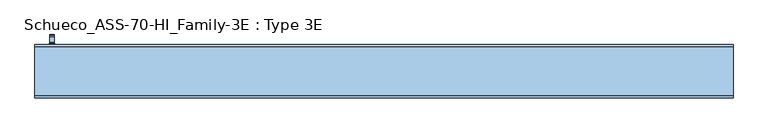
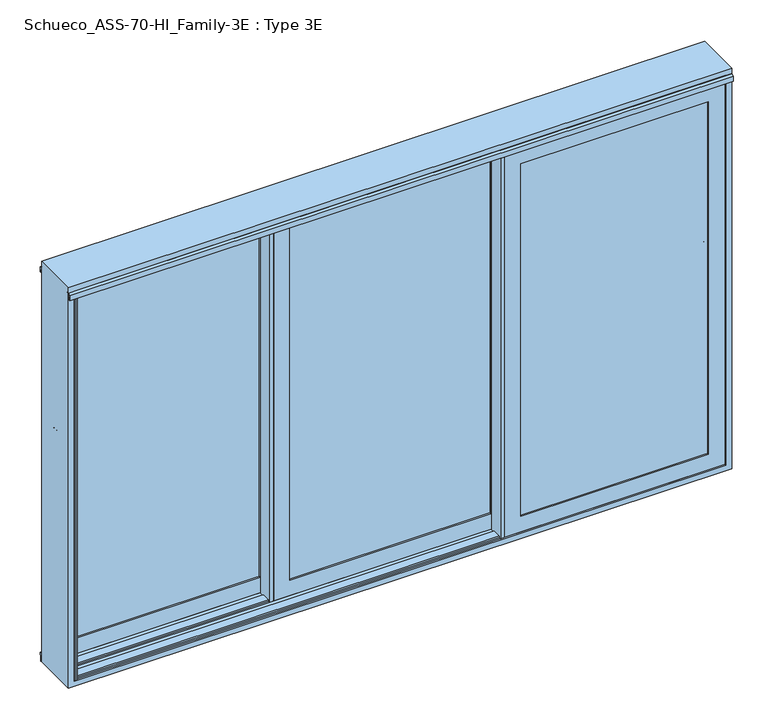
"""IFC4 building model written with IfcOpenShell, lengths in millimetres: window geometry, Schueco_ASS-70-HI_Family-3E : Type 3E."""

from ifc_helpers import new_model, si_unit, point, frame, frame_2d, origin, place, context, project, spatial, polyline, circle_curve, trimmed, segment, composite_curve, outline, extrude, faceted_brep, source, transform, mapped, element, save
from ifc_brep_helpers import plane_surface, cylinder_surface, revolved_surface, advanced_brep


def schueco_ass_70_hi_family_3e_type_3e_9dcf342a(model_context):
    return source(origin(), model_context, "Body", "SolidModel", [
        extrude(outline(polyline([(-650.6682598, -60.0296761), (-650.6682598, 24.1825054), (-596.6666667, 24.1825054), (-596.6666667, 9.9601155), (-646.8681947, 9.9601155), (-646.8681947, -54.5297093), (-630.6682903, -54.5297093), (-630.6682903, -60.0296761), (-650.6682598, -60.0296761)])), frame((0.0, 0.0, -6.9999052), z_axis=(0.0, 0.0, 1.0), x_axis=(1.0, 0.0, 0.0)), (0.0, 0.0, 1.0), 2187.9998104),
        extrude(outline(polyline([(2114.8998417, 564.5665084), (2114.8998417, -564.5665084), (59.1001583, -564.5665084), (59.1001583, 564.5665084), (2114.8998417, 564.5665084)]), holes=[polyline([(2092.899857, -542.5665236), (2092.899857, 542.5665236), (81.100143, 542.5665236), (81.100143, -542.5665236), (2092.899857, -542.5665236)])]), frame((0.0, -25.0621681, 0.0), z_axis=(0.0, 1.0, 0.0), x_axis=(0.0, 0.0, 1.0)), (0.0, 0.0, 1.0), 35.0222836),
        extrude(outline(polyline([(556.5682349, -25.0621681), (556.5682349, -51.0520123), (-556.5682349, -51.0520123), (-556.5682349, -25.0621681), (556.5682349, -25.0621681)])), frame((0.0, 0.0, 67.0984318), z_axis=(0.0, 0.0, 1.0), x_axis=(1.0, 0.0, 0.0)), (0.0, 0.0, 1.0), 2039.8031365),
        extrude(outline(polyline([(650.6682598, 9.9601155), (650.6682598, -74.2520661), (596.6666667, -74.2520661), (596.6666667, -60.0296761), (646.8681947, -60.0296761), (646.8681947, 4.4601487), (630.6682903, 4.4601487), (630.6682903, 9.9601155), (650.6682598, 9.9601155)])), frame((0.0, 0.0, -6.9999052), z_axis=(0.0, 0.0, 1.0), x_axis=(1.0, 0.0, 0.0)), (0.0, 0.0, 1.0), 2187.9998104),
        faceted_brep([(-630.6682903, -54.5297093, 2181.0016236), (-630.6682903, -54.5297093, -7.0016236), (-630.6682903, -60.0296761, -7.0016236), (-630.6682903, -60.0296761, 2181.0016236), (630.6682903, -60.0296761, 2181.0016236), (630.6682903, -60.0296761, -7.0016236), (-542.6682903, -60.0296761, 2093.0016236), (542.6682903, -60.0296761, 2093.0016236), (542.6682903, -60.0296761, 80.9983764), (-542.6682903, -60.0296761, 80.9983764), (630.6682903, -54.5297093, -7.0016236), (630.6682903, -54.5297093, 2181.0016236), (600.6665719, -54.5297093, 2150.9999052), (-600.6665719, -54.5297093, 2150.9999052), (-600.6665719, -54.5297093, 23.0000948), (600.6665719, -54.5297093, 23.0000948), (-600.6665719, 4.4601155, 2150.9999052), (-600.6665719, 4.4601155, 23.0000948), (600.6665719, 4.4601155, 23.0000948), (630.6665719, 4.4601155, 2180.9999052), (-630.6665719, 4.4601155, 2180.9999052), (-630.6665719, 4.4601155, -6.9999052), (630.6665719, 4.4601155, -6.9999052), (600.6665719, 4.4601155, 2150.9999052), (-630.6665719, 9.9601155, 2180.9999052), (-630.6665719, 9.9601155, -6.9999052), (630.6665719, 9.9601155, -6.9999052), (630.6665719, 9.9601155, 2180.9999052), (564.5665084, 9.9601155, 2114.8998417), (-564.5665084, 9.9601155, 2114.8998417), (-564.5665084, 9.9601155, 59.1001583), (564.5665084, 9.9601155, 59.1001583), (-556.5682349, -51.0520123, 2106.9015682), (-556.5682349, -51.0520123, 67.0984318), (-556.5682349, -25.0520123, 67.0984318), (-556.5682349, -25.0520123, 2106.9015682), (-564.5665084, -25.0520123, 2114.8998417), (564.5665084, -25.0520123, 2114.8998417), (564.5665084, -25.0520123, 59.1001583), (-564.5665084, -25.0520123, 59.1001583), (556.5682349, -25.0520123, 2106.9015682), (556.5682349, -25.0520123, 67.0984318), (556.5682349, -51.0520123, 67.0984318), (556.5682349, -51.0520123, 2106.9015682), (542.6682903, -51.0520123, 2093.0016236), (-542.6682903, -51.0520123, 2093.0016236), (-542.6682903, -51.0520123, 80.9983764), (542.6682903, -51.0520123, 80.9983764)], [[[0, 1, 2, 3]], [[4, 3, 2, 5], [6, 7, 8, 9]], [[1, 10, 5, 2]], [[0, 11, 10, 1], [12, 13, 14, 15]], [[16, 17, 14, 13]], [[17, 18, 15, 14]], [[19, 20, 21, 22], [16, 23, 18, 17]], [[24, 25, 21, 20]], [[25, 26, 22, 21]], [[24, 27, 26, 25], [28, 29, 30, 31]], [[32, 33, 34, 35]], [[36, 37, 38, 39], [40, 35, 34, 41]], [[33, 42, 41, 34]], [[32, 43, 42, 33], [44, 45, 46, 47]], [[6, 9, 46, 45]], [[9, 8, 47, 46]], [[10, 11, 4, 5]], [[18, 23, 12, 15]], [[26, 27, 19, 22]], [[42, 43, 40, 41]], [[8, 7, 44, 47]], [[38, 37, 28, 31]], [[39, 38, 31, 30]], [[36, 39, 30, 29]], [[11, 0, 3, 4]], [[23, 16, 13, 12]], [[27, 24, 20, 19]], [[43, 32, 35, 40]], [[7, 6, 45, 44]], [[37, 36, 29, 28]]]),
        advanced_brep(
        [(1714.9498734, -18.0727538, 1004.005052), (1690.9498734, -18.0727538, 1004.005052), (1690.9498734, -18.0727538, 1229.2360009), (1714.9498734, -18.0727538, 1229.2360009), (1714.9498734, -66.0727538, 1004.005052), (1690.9498734, -66.0727538, 1004.005052), (1714.9498734, -30.0727538, 1004.005052), (1690.9498734, -30.0727538, 1004.005052), (1690.9498734, -30.0727538, 1219.6494011), (1690.9498734, -37.4234138, 1227.000061), (1690.9498734, -58.0727538, 1227.000061), (1690.9498734, -60.0727538, 1229.000061), (1690.9498734, -60.0727538, 1240.000061), (1690.9498734, -58.0727538, 1242.000061), (1690.9498734, -30.8368139, 1242.000061), (1690.9498734, -29.4226003, 1241.4142746), (1690.9498734, -18.6585402, 1230.6502145), (1714.9498734, -18.6585402, 1230.6502145), (1714.9498734, -29.4226003, 1241.4142746), (1714.9498734, -30.8368139, 1242.000061), (1714.9498734, -58.0727538, 1242.000061), (1714.9498734, -60.0727538, 1240.000061), (1714.9498734, -60.0727538, 1229.000061), (1714.9498734, -58.0727538, 1227.000061), (1714.9498734, -37.4234138, 1227.000061), (1714.9498734, -30.0727538, 1219.6494011)],
        [
            (0, 1, circle_curve(frame((1702.9498734, -18.0727538, 1004.005052), z_axis=(0.0, 1.0, 0.0), x_axis=(-1.0, 0.0, 0.0)), 12.0)),
            (1, 2),
            (2, 3),
            (3, 0),
            (4, 5, circle_curve(frame((1702.9498734, -66.0727538, 1004.005052), z_axis=(0.0, -1.0, 0.0), x_axis=(-1.0, 0.0, 0.0)), 12.0)),
            (5, 4, circle_curve(frame((1702.9498734, -66.0727538, 1004.005052), z_axis=(0.0, -1.0, 0.0), x_axis=(-1.0, 0.0, 0.0)), 12.0)),
            (0, 6),
            (6, 4),
            (5, 7),
            (7, 1),
            (6, 7, circle_curve(frame((1702.9498734, -30.0727538, 1004.005052), z_axis=(0.0, -1.0, 0.0), x_axis=(-1.0, 0.0, 0.0)), 12.0)),
            (7, 8),
            (8, 9, circle_curve(frame((1690.9498734, -37.4234138, 1219.6494011), z_axis=(1.0, 0.0, 0.0), x_axis=(0.0, 0.0, -1.0)), 7.35066)),
            (9, 10),
            (10, 11, circle_curve(frame((1690.9498734, -58.0727538, 1229.000061), z_axis=(-1.0, 0.0, 0.0), x_axis=(0.0, 0.0, -1.0)), 2.0)),
            (11, 12),
            (12, 13, circle_curve(frame((1690.9498734, -58.0727538, 1240.000061), z_axis=(-1.0, 0.0, 0.0), x_axis=(0.0, 0.0, -1.0)), 2.0)),
            (13, 14),
            (14, 15, circle_curve(frame((1690.9498734, -30.8368139, 1240.000061), z_axis=(-1.0, 0.0, 0.0), x_axis=(0.0, 0.0, -1.0)), 2.0)),
            (15, 16),
            (16, 2, circle_curve(frame((1690.9498734, -20.0727538, 1229.2360009), z_axis=(-1.0, 0.0, 0.0), x_axis=(0.0, 0.0, -1.0)), 2.0)),
            (3, 17, circle_curve(frame((1714.9498734, -20.0727538, 1229.2360009), z_axis=(1.0, 0.0, 0.0), x_axis=(0.0, 0.0, -1.0)), 2.0)),
            (17, 18),
            (18, 19, circle_curve(frame((1714.9498734, -30.8368139, 1240.000061), z_axis=(1.0, 0.0, 0.0), x_axis=(0.0, 0.0, -1.0)), 2.0)),
            (19, 20),
            (20, 21, circle_curve(frame((1714.9498734, -58.0727538, 1240.000061), z_axis=(1.0, 0.0, 0.0), x_axis=(0.0, 0.0, -1.0)), 2.0)),
            (21, 22),
            (22, 23, circle_curve(frame((1714.9498734, -58.0727538, 1229.000061), z_axis=(1.0, 0.0, 0.0), x_axis=(0.0, 0.0, -1.0)), 2.0)),
            (23, 24),
            (24, 25, circle_curve(frame((1714.9498734, -37.4234138, 1219.6494011), z_axis=(-1.0, 0.0, 0.0), x_axis=(0.0, 0.0, -1.0)), 7.35066)),
            (25, 6),
            (25, 8),
            (24, 9),
            (23, 10),
            (22, 11),
            (21, 12),
            (20, 13),
            (19, 14),
            (18, 15),
            (17, 16),
        ],
        [
            plane_surface(frame((1690.9498734, -18.0727538, 1004.005052), z_axis=(0.0, 1.0, 0.0), x_axis=(0.0, 0.0, 1.0))),
            plane_surface(frame((1690.9498734, -66.0727538, 1004.005052), z_axis=(0.0, -1.0, 0.0), x_axis=(0.0, 0.0, -1.0))),
            cylinder_surface(frame((1702.9498734, -66.0727538, 1004.005052), z_axis=(0.0, 1.0, 0.0), x_axis=(-1.0, 0.0, 0.0)), 12.0),
            plane_surface(frame((1690.9498734, -18.0727538, 1009.7503433), z_axis=(-1.0, 0.0, 0.0), x_axis=(0.0, 0.0, -1.0))),
            plane_surface(frame((1714.9498734, -18.0727538, 1009.7503433), z_axis=(1.0, 0.0, 0.0), x_axis=(0.0, 0.0, 1.0))),
            plane_surface(frame((1690.9498734, -30.0727538, 1004.0), z_axis=(0.0, -1.0, 0.0), x_axis=(1.0, 0.0, 0.0))),
            revolved_surface(polyline([(1714.9498734, -37.4234138, 1212.2987411), (1690.9498734, -37.4234138, 1212.2987411)]), (1714.9498734, -37.4234138, 1219.6494011), (1.0, 0.0, 0.0)),
            plane_surface(frame((1690.9498734, -37.4234138, 1227.000061), z_axis=(0.0, 0.0, -1.0), x_axis=(1.0, 0.0, 0.0))),
            cylinder_surface(frame((1714.9498734, -58.0727538, 1229.000061), z_axis=(-1.0, 0.0, 0.0), x_axis=(0.0, 0.0, -1.0)), 2.0),
            plane_surface(frame((1690.9498734, -60.0727538, 1229.000061), z_axis=(0.0, -1.0, 0.0), x_axis=(1.0, 0.0, 0.0))),
            cylinder_surface(frame((1714.9498734, -58.0727538, 1240.000061), z_axis=(-1.0, 0.0, 0.0), x_axis=(0.0, 0.0, -1.0)), 2.0),
            plane_surface(frame((1690.9498734, -58.0727538, 1242.000061), z_axis=(0.0, 0.0, 1.0), x_axis=(1.0, 0.0, 0.0))),
            cylinder_surface(frame((1714.9498734, -30.8368139, 1240.000061), z_axis=(-1.0, 0.0, 0.0), x_axis=(0.0, 0.0, -1.0)), 2.0),
            plane_surface(frame((1690.9498734, -29.4226003, 1241.4142746), z_axis=(0.0, 0.7071067811865422, 0.7071067811865528), x_axis=(1.0, 0.0, 0.0))),
            cylinder_surface(frame((1714.9498734, -20.0727538, 1229.2360009), z_axis=(-1.0, 0.0, 0.0), x_axis=(0.0, 0.0, -1.0)), 2.0),
        ],
        [
            (0, [[1, 2, 3, 4]]),
            (1, [[5, 6]]),
            (2, [[-1, 7, 8, -6, 9, 10]]),
            (2, [[-5, -8, 11, -9]]),
            (3, [[-2, -10, 12, 13, 14, 15, 16, 17, 18, 19, 20, 21]]),
            (4, [[22, 23, 24, 25, 26, 27, 28, 29, 30, 31, -7, -4]]),
            (5, [[-12, -11, -31, 32]]),
            (6, [[-13, -32, -30, 33]]),
            (7, [[-14, -33, -29, 34]]),
            (8, [[-15, -34, -28, 35]]),
            (9, [[-16, -35, -27, 36]]),
            (10, [[-17, -36, -26, 37]]),
            (11, [[-18, -37, -25, 38]]),
            (12, [[-19, -38, -24, 39]]),
            (13, [[-20, -39, -23, 40]]),
            (14, [[-21, -40, -22, -3]]),
        ],
    ),
        extrude(outline(composite_curve([segment(polyline([(922.2823932, 1719.6998734), (1049.0099288, 1719.6998734)]), True, "CONTINUOUS"), segment(trimmed(circle_curve(frame_2d((1049.0099288, 1702.9498734)), 16.75), [point((1049.0099288, 1719.6998734))], [point((1049.0099288, 1686.1998734))], False, "CARTESIAN"), True, "CONTINUOUS"), segment(polyline([(1049.0099288, 1686.1998734), (922.2823932, 1686.1998734)]), True, "CONTINUOUS"), segment(trimmed(circle_curve(frame_2d((922.2823932, 1702.9498734)), 16.75), [point((922.2823932, 1686.1998734))], [point((922.2823932, 1719.6998734))], False, "CARTESIAN"), True, "CONTINUOUS")], self_intersect=False)), frame((0.0, -80.0727233, 0.0), z_axis=(0.0, 1.0, 0.0), x_axis=(0.0, 0.0, 1.0)), (0.0, 0.0, 1.0), 13.9999695),
        extrude(outline(polyline([(562.6650431, -144.5402842), (562.6650431, -150.040251), (542.6650736, -150.040251), (542.6650736, -65.8280694), (596.6666667, -65.8280694), (596.6666667, -80.0504594), (546.4651386, -80.0504594), (546.4651386, -144.5402842), (562.6650431, -144.5402842)])), frame((0.0, 0.0, -6.9999052), z_axis=(0.0, 0.0, 1.0), x_axis=(1.0, 0.0, 0.0)), (0.0, 0.0, 1.0), 2187.9998104),
        extrude(outline(polyline([(2114.8998417, 628.766825), (59.1001583, 628.766825), (59.1001583, 1684.8998417), (2114.8998417, 1684.8998417), (2114.8998417, 628.766825)]), holes=[polyline([(2092.899857, 1662.899857), (81.100143, 1662.899857), (81.100143, 650.7668097), (2092.899857, 650.7668097), (2092.899857, 1662.899857)])]), frame((0.0, -115.0727098, 0.0), z_axis=(0.0, 1.0, 0.0), x_axis=(0.0, 0.0, 1.0)), (0.0, 0.0, 1.0), 35.0222836),
        extrude(outline(polyline([(636.7650984, -115.0727098), (1676.9015682, -115.0727098), (1676.9015682, -141.062554), (636.7650984, -141.062554), (636.7650984, -115.0727098)])), frame((0.0, 0.0, 67.0984318), z_axis=(0.0, 0.0, 1.0), x_axis=(1.0, 0.0, 0.0)), (0.0, 0.0, 1.0), 2039.8031365),
        faceted_brep([(1751.0016236, -144.540251, 2181.0016236), (1751.0016236, -150.0402178, 2181.0016236), (1751.0016236, -150.0402178, -7.0016236), (1751.0016236, -144.540251, -7.0016236), (562.6650431, -150.0402178, 2181.0016236), (562.6650431, -150.0402178, -7.0016236), (1663.0016236, -150.0402178, 2093.0016236), (1663.0016236, -150.0402178, 80.9983764), (650.6650431, -150.0402178, 80.9983764), (650.6650431, -150.0402178, 2093.0016236), (562.6650431, -144.540251, -7.0016236), (562.6650431, -144.540251, 2181.0016236), (592.6667615, -144.540251, 2150.9999052), (592.6667615, -144.540251, 23.0000948), (1720.9999052, -144.540251, 23.0000948), (1720.9999052, -144.540251, 2150.9999052), (1720.9999052, -85.5504262, 2150.9999052), (1720.9999052, -85.5504262, 23.0000948), (592.6667615, -85.5504262, 23.0000948), (562.6667615, -85.5504262, 2180.9999052), (562.6667615, -85.5504262, -6.9999052), (1750.9999052, -85.5504262, -6.9999052), (1750.9999052, -85.5504262, 2180.9999052), (592.6667615, -85.5504262, 2150.9999052), (1750.9999052, -80.0504262, 2180.9999052), (1750.9999052, -80.0504262, -6.9999052), (562.6667615, -80.0504262, -6.9999052), (562.6667615, -80.0504262, 2180.9999052), (628.766825, -80.0504262, 2114.8998417), (628.766825, -80.0504262, 59.1001583), (1684.8998417, -80.0504262, 59.1001583), (1684.8998417, -80.0504262, 2114.8998417), (1676.9015682, -141.062554, 2106.9015682), (1676.9015682, -115.062554, 2106.9015682), (1676.9015682, -115.062554, 67.0984318), (1676.9015682, -141.062554, 67.0984318), (1684.8998417, -115.062554, 2114.8998417), (1684.8998417, -115.062554, 59.1001583), (628.766825, -115.062554, 59.1001583), (628.766825, -115.062554, 2114.8998417), (636.7650984, -115.062554, 2106.9015682), (636.7650984, -115.062554, 67.0984318), (636.7650984, -141.062554, 67.0984318), (636.7650984, -141.062554, 2106.9015682), (650.6650431, -141.062554, 2093.0016236), (650.6650431, -141.062554, 80.9983764), (1663.0016236, -141.062554, 80.9983764), (1663.0016236, -141.062554, 2093.0016236)], [[[0, 1, 2, 3]], [[4, 5, 2, 1], [6, 7, 8, 9]], [[3, 2, 5, 10]], [[0, 3, 10, 11], [12, 13, 14, 15]], [[16, 15, 14, 17]], [[17, 14, 13, 18]], [[19, 20, 21, 22], [16, 17, 18, 23]], [[24, 22, 21, 25]], [[25, 21, 20, 26]], [[24, 25, 26, 27], [28, 29, 30, 31]], [[32, 33, 34, 35]], [[36, 37, 38, 39], [40, 41, 34, 33]], [[35, 34, 41, 42]], [[32, 35, 42, 43], [44, 45, 46, 47]], [[6, 47, 46, 7]], [[7, 46, 45, 8]], [[10, 5, 4, 11]], [[18, 13, 12, 23]], [[26, 20, 19, 27]], [[42, 41, 40, 43]], [[8, 45, 44, 9]], [[38, 29, 28, 39]], [[37, 30, 29, 38]], [[36, 31, 30, 37]], [[11, 4, 1, 0]], [[23, 12, 15, 16]], [[27, 19, 22, 24]], [[43, 40, 33, 32]], [[9, 44, 47, 6]], [[39, 28, 31, 36]]]),
        advanced_brep(
        [(-1714.9498734, 161.9999695, 1004.0), (-1714.9498734, 161.9999695, 1229.2360009), (-1690.9498734, 161.9999695, 1229.2360009), (-1690.9498734, 161.9999695, 1004.0), (-1714.9498734, 113.9999695, 1004.005052), (-1690.9498734, 113.9999695, 1004.005052), (-1690.9498734, 149.9999695, 1004.005052), (-1714.9498734, 149.9999695, 1004.005052), (-1690.9498734, 161.414183, 1230.6502145), (-1690.9498734, 150.6501229, 1241.4142746), (-1690.9498734, 149.2359094, 1242.000061), (-1690.9498734, 121.9999695, 1242.000061), (-1690.9498734, 119.9999695, 1240.000061), (-1690.9498734, 119.9999695, 1229.000061), (-1690.9498734, 121.9999695, 1227.000061), (-1690.9498734, 142.6493095, 1227.000061), (-1690.9498734, 149.9999695, 1219.6494011), (-1714.9498734, 149.9999695, 1219.6494011), (-1714.9498734, 142.6493095, 1227.000061), (-1714.9498734, 121.9999695, 1227.000061), (-1714.9498734, 119.9999695, 1229.000061), (-1714.9498734, 119.9999695, 1240.000061), (-1714.9498734, 121.9999695, 1242.000061), (-1714.9498734, 149.2359094, 1242.000061), (-1714.9498734, 150.6501229, 1241.4142746), (-1714.9498734, 161.414183, 1230.6502145)],
        [
            (0, 1),
            (1, 2),
            (2, 3),
            (3, 0, circle_curve(frame((-1702.9498734, 161.9999695, 1004.005052), z_axis=(0.0, 1.0, 0.0), x_axis=(1.0, 0.0, 0.0)), 12.0)),
            (4, 5, circle_curve(frame((-1702.9498734, 113.9999695, 1004.005052), z_axis=(0.0, -1.0, 0.0), x_axis=(1.0, 0.0, 0.0)), 12.0)),
            (5, 4, circle_curve(frame((-1702.9498734, 113.9999695, 1004.005052), z_axis=(0.0, -1.0, 0.0), x_axis=(1.0, 0.0, 0.0)), 12.0)),
            (3, 6),
            (6, 5),
            (4, 7),
            (7, 0),
            (6, 7, circle_curve(frame((-1702.9498734, 149.9999695, 1004.005052), z_axis=(0.0, -1.0, 0.0), x_axis=(1.0, 0.0, 0.0)), 12.0)),
            (2, 8, circle_curve(frame((-1690.9498734, 159.9999695, 1229.2360009), z_axis=(1.0, 0.0, 0.0), x_axis=(0.0, 0.0, -1.0)), 2.0)),
            (8, 9),
            (9, 10, circle_curve(frame((-1690.9498734, 149.2359094, 1240.000061), z_axis=(1.0, 0.0, 0.0), x_axis=(0.0, 0.0, -1.0)), 2.0)),
            (10, 11),
            (11, 12, circle_curve(frame((-1690.9498734, 121.9999695, 1240.000061), z_axis=(1.0, 0.0, 0.0), x_axis=(0.0, 0.0, -1.0)), 2.0)),
            (12, 13),
            (13, 14, circle_curve(frame((-1690.9498734, 121.9999695, 1229.000061), z_axis=(1.0, 0.0, 0.0), x_axis=(0.0, 0.0, -1.0)), 2.0)),
            (14, 15),
            (15, 16, circle_curve(frame((-1690.9498734, 142.6493095, 1219.6494011), z_axis=(-1.0, 0.0, 0.0), x_axis=(0.0, 0.0, -1.0)), 7.35066)),
            (16, 6),
            (7, 17),
            (17, 18, circle_curve(frame((-1714.9498734, 142.6493095, 1219.6494011), z_axis=(1.0, 0.0, 0.0), x_axis=(0.0, 0.0, -1.0)), 7.35066)),
            (18, 19),
            (19, 20, circle_curve(frame((-1714.9498734, 121.9999695, 1229.000061), z_axis=(-1.0, 0.0, 0.0), x_axis=(0.0, 0.0, -1.0)), 2.0)),
            (20, 21),
            (21, 22, circle_curve(frame((-1714.9498734, 121.9999695, 1240.000061), z_axis=(-1.0, 0.0, 0.0), x_axis=(0.0, 0.0, -1.0)), 2.0)),
            (22, 23),
            (23, 24, circle_curve(frame((-1714.9498734, 149.2359094, 1240.000061), z_axis=(-1.0, 0.0, 0.0), x_axis=(0.0, 0.0, -1.0)), 2.0)),
            (24, 25),
            (25, 1, circle_curve(frame((-1714.9498734, 159.9999695, 1229.2360009), z_axis=(-1.0, 0.0, 0.0), x_axis=(0.0, 0.0, -1.0)), 2.0)),
            (16, 17),
            (15, 18),
            (14, 19),
            (13, 20),
            (12, 21),
            (11, 22),
            (10, 23),
            (9, 24),
            (8, 25),
        ],
        [
            plane_surface(frame((-1690.9498734, 161.9999695, 1004.005052), z_axis=(0.0, 1.0, 0.0), x_axis=(0.0, 0.0, 1.0))),
            plane_surface(frame((-1690.9498734, 113.9999695, 1004.005052), z_axis=(0.0, -1.0, 0.0), x_axis=(0.0, 0.0, -1.0))),
            cylinder_surface(frame((-1702.9498734, 113.9999695, 1004.005052), z_axis=(0.0, 1.0, 0.0), x_axis=(1.0, 0.0, 0.0)), 12.0),
            plane_surface(frame((-1690.9498734, 161.9999695, 1009.7503433), z_axis=(1.0, 0.0, 0.0), x_axis=(0.0, 0.0, -1.0))),
            plane_surface(frame((-1714.9498734, 161.9999695, 1009.7503433), z_axis=(-1.0, 0.0, 0.0), x_axis=(0.0, 0.0, 1.0))),
            plane_surface(frame((-1690.9498734, 149.9999695, 1004.0), z_axis=(0.0, -1.0, 0.0), x_axis=(-1.0, 0.0, 0.0))),
            revolved_surface(polyline([(-1714.9498734, 142.6493095, 1212.2987411), (-1690.9498734, 142.6493095, 1212.2987411)]), (-1714.9498734, 142.6493095, 1219.6494011), (-1.0, 0.0, 0.0)),
            plane_surface(frame((-1690.9498734, 142.6493095, 1227.000061), z_axis=(0.0, 0.0, -1.0), x_axis=(-1.0, 0.0, 0.0))),
            cylinder_surface(frame((-1714.9498734, 121.9999695, 1229.000061), z_axis=(1.0, 0.0, 0.0), x_axis=(0.0, 0.0, -1.0)), 2.0),
            plane_surface(frame((-1690.9498734, 119.9999695, 1229.000061), z_axis=(0.0, -1.0, 0.0), x_axis=(-1.0, 0.0, 0.0))),
            cylinder_surface(frame((-1714.9498734, 121.9999695, 1240.000061), z_axis=(1.0, 0.0, 0.0), x_axis=(0.0, 0.0, -1.0)), 2.0),
            plane_surface(frame((-1690.9498734, 121.9999695, 1242.000061), z_axis=(0.0, 0.0, 1.0), x_axis=(-1.0, 0.0, 0.0))),
            cylinder_surface(frame((-1714.9498734, 149.2359094, 1240.000061), z_axis=(1.0, 0.0, 0.0), x_axis=(0.0, 0.0, -1.0)), 2.0),
            plane_surface(frame((-1690.9498734, 150.6501229, 1241.4142746), z_axis=(0.0, 0.7071067811865422, 0.7071067811865528), x_axis=(-1.0, 0.0, 0.0))),
            cylinder_surface(frame((-1714.9498734, 159.9999695, 1229.2360009), z_axis=(1.0, 0.0, 0.0), x_axis=(0.0, 0.0, -1.0)), 2.0),
        ],
        [
            (0, [[1, 2, 3, 4]]),
            (1, [[5, 6]]),
            (2, [[7, 8, -5, 9, 10, -4]]),
            (2, [[-8, 11, -9, -6]]),
            (3, [[12, 13, 14, 15, 16, 17, 18, 19, 20, 21, -7, -3]]),
            (4, [[-1, -10, 22, 23, 24, 25, 26, 27, 28, 29, 30, 31]]),
            (5, [[32, -22, -11, -21]]),
            (6, [[33, -23, -32, -20]]),
            (7, [[34, -24, -33, -19]]),
            (8, [[35, -25, -34, -18]]),
            (9, [[36, -26, -35, -17]]),
            (10, [[37, -27, -36, -16]]),
            (11, [[38, -28, -37, -15]]),
            (12, [[39, -29, -38, -14]]),
            (13, [[40, -30, -39, -13]]),
            (14, [[-2, -31, -40, -12]]),
        ],
    ),
        extrude(outline(composite_curve([segment(trimmed(circle_curve(frame_2d((922.2823932, -1702.9498734)), 16.75), [point((922.2823932, -1719.6998734))], [point((922.2823932, -1686.1998734))], False, "CARTESIAN"), True, "CONTINUOUS"), segment(polyline([(922.2823932, -1686.1998734), (1049.0099288, -1686.1998734)]), True, "CONTINUOUS"), segment(trimmed(circle_curve(frame_2d((1049.0099288, -1702.9498734)), 16.75), [point((1049.0099288, -1686.1998734))], [point((1049.0099288, -1719.6998734))], False, "CARTESIAN"), True, "CONTINUOUS"), segment(polyline([(1049.0099288, -1719.6998734), (922.2823932, -1719.6998734)]), True, "CONTINUOUS")], self_intersect=False)), frame((0.0, 100.0, 0.0), z_axis=(0.0, 1.0, 0.0), x_axis=(0.0, 0.0, 1.0)), (0.0, 0.0, 1.0), 13.9999695),
        extrude(outline(polyline([(2114.8998417, -628.766825), (2114.8998417, -1684.8998417), (59.1001583, -1684.8998417), (59.1001583, -628.766825), (2114.8998417, -628.766825)]), holes=[polyline([(2092.899857, -1662.899857), (2092.899857, -650.7668097), (81.100143, -650.7668097), (81.100143, -1662.899857), (2092.899857, -1662.899857)])]), frame((0.0, 65.0000135, 0.0), z_axis=(0.0, 1.0, 0.0), x_axis=(0.0, 0.0, 1.0)), (0.0, 0.0, 1.0), 35.0222836),
        extrude(outline(polyline([(-636.7650984, 65.0000135), (-636.7650984, 39.0101693), (-1676.9015682, 39.0101693), (-1676.9015682, 65.0000135), (-636.7650984, 65.0000135)])), frame((0.0, 0.0, 67.0984318), z_axis=(0.0, 0.0, 1.0), x_axis=(1.0, 0.0, 0.0)), (0.0, 0.0, 1.0), 2039.8031365),
        extrude(outline(polyline([(-542.6650736, 100.0222971), (-542.6650736, 15.8101155), (-596.6666667, 15.8101155), (-596.6666667, 30.0325054), (-546.4651386, 30.0325054), (-546.4651386, 94.5223302), (-562.6650431, 94.5223302), (-562.6650431, 100.0222971), (-542.6650736, 100.0222971)])), frame((0.0, 0.0, -6.9999052), z_axis=(0.0, 0.0, 1.0), x_axis=(1.0, 0.0, 0.0)), (0.0, 0.0, 1.0), 2187.9998104),
        faceted_brep([(-1751.0016236, 35.5324723, 2181.0016236), (-1751.0016236, 35.5324723, -7.0016236), (-1751.0016236, 30.0325054, -7.0016236), (-1751.0016236, 30.0325054, 2181.0016236), (-562.6650431, 30.0325054, 2181.0016236), (-562.6650431, 30.0325054, -7.0016236), (-1663.0016236, 30.0325054, 2093.0016236), (-650.6650431, 30.0325054, 2093.0016236), (-650.6650431, 30.0325054, 80.9983764), (-1663.0016236, 30.0325054, 80.9983764), (-562.6650431, 35.5324723, -7.0016236), (-562.6650431, 35.5324723, 2181.0016236), (-592.6667615, 35.5324723, 2150.9999052), (-1720.9999052, 35.5324723, 2150.9999052), (-1720.9999052, 35.5324723, 23.0000948), (-592.6667615, 35.5324723, 23.0000948), (-1720.9999052, 94.5222971, 2150.9999052), (-1720.9999052, 94.5222971, 23.0000948), (-592.6667615, 94.5222971, 23.0000948), (-562.6667615, 94.5222971, 2180.9999052), (-1750.9999052, 94.5222971, 2180.9999052), (-1750.9999052, 94.5222971, -6.9999052), (-562.6667615, 94.5222971, -6.9999052), (-592.6667615, 94.5222971, 2150.9999052), (-1750.9999052, 100.0222971, 2180.9999052), (-1750.9999052, 100.0222971, -6.9999052), (-562.6667615, 100.0222971, -6.9999052), (-562.6667615, 100.0222971, 2180.9999052), (-628.766825, 100.0222971, 2114.8998417), (-1684.8998417, 100.0222971, 2114.8998417), (-1684.8998417, 100.0222971, 59.1001583), (-628.766825, 100.0222971, 59.1001583), (-1676.9015682, 39.0101693, 2106.9015682), (-1676.9015682, 39.0101693, 67.0984318), (-1676.9015682, 65.0101693, 67.0984318), (-1676.9015682, 65.0101693, 2106.9015682), (-1684.8998417, 65.0101693, 2114.8998417), (-628.766825, 65.0101693, 2114.8998417), (-628.766825, 65.0101693, 59.1001583), (-1684.8998417, 65.0101693, 59.1001583), (-636.7650984, 65.0101693, 2106.9015682), (-636.7650984, 65.0101693, 67.0984318), (-636.7650984, 39.0101693, 67.0984318), (-636.7650984, 39.0101693, 2106.9015682), (-650.6650431, 39.0101693, 2093.0016236), (-1663.0016236, 39.0101693, 2093.0016236), (-1663.0016236, 39.0101693, 80.9983764), (-650.6650431, 39.0101693, 80.9983764)], [[[0, 1, 2, 3]], [[4, 3, 2, 5], [6, 7, 8, 9]], [[1, 10, 5, 2]], [[0, 11, 10, 1], [12, 13, 14, 15]], [[16, 17, 14, 13]], [[17, 18, 15, 14]], [[19, 20, 21, 22], [16, 23, 18, 17]], [[24, 25, 21, 20]], [[25, 26, 22, 21]], [[24, 27, 26, 25], [28, 29, 30, 31]], [[32, 33, 34, 35]], [[36, 37, 38, 39], [40, 35, 34, 41]], [[33, 42, 41, 34]], [[32, 43, 42, 33], [44, 45, 46, 47]], [[6, 9, 46, 45]], [[9, 8, 47, 46]], [[10, 11, 4, 5]], [[18, 23, 12, 15]], [[26, 27, 19, 22]], [[42, 43, 40, 41]], [[8, 7, 44, 47]], [[38, 37, 28, 31]], [[39, 38, 31, 30]], [[36, 39, 30, 29]], [[11, 0, 3, 4]], [[23, 16, 13, 12]], [[27, 24, 20, 19]], [[43, 32, 35, 40]], [[7, 6, 45, 44]], [[37, 36, 29, 28]]]),
        extrude(outline(polyline([(-1743.0, -65.7689734), (-1743.0, -60.040251), (-1759.0321213, -60.040251), (-1759.0321213, -51.240251), (-1743.0, -51.240251), (-1743.0, 15.7698645), (-1759.0321213, 15.7698645), (-1759.0321213, 24.2310266), (-1741.0160727, 24.2310266), (-1741.0160727, -65.7689734), (-1743.0, -65.7689734)])), frame((0.0, 0.0, -15.0), z_axis=(0.0, 0.0, 1.0), x_axis=(1.0, 0.0, 0.0)), (0.0, 0.0, 1.0), 2188.0000489),
        extrude(outline(polyline([(-1741.0160727, -150.040251), (-1750.9999052, -150.040251), (-1750.9999052, -141.240251), (-1743.0, -141.240251), (-1743.0, -74.2301355), (-1759.0321213, -74.2301355), (-1759.0321213, -65.7689734), (-1741.0160727, -65.7689734), (-1741.0160727, -150.040251)])), frame((0.0, 0.0, -15.0), z_axis=(0.0, 0.0, 1.0), x_axis=(1.0, 0.0, 0.0)), (0.0, 0.0, 1.0), 2188.0000489),
        extrude(outline(polyline([(1750.9999878, 100.0), (1750.9999878, 91.2), (1743.0000826, 91.2), (1743.0000826, 24.1898845), (1759.0322039, 24.1898845), (1759.0322039, 15.7287224), (1741.0161552, 15.7287224), (1741.0161552, 100.0), (1750.9999878, 100.0)])), frame((0.0, 0.0, -14.9999878), z_axis=(0.0, 0.0, 1.0), x_axis=(1.0, 0.0, 0.0)), (0.0, 0.0, 1.0), 2188.0000367),
        extrude(outline(polyline([(1750.9999878, 9.9842829), (1750.9999878, 1.1842829), (1743.0000826, 1.1842829), (1743.0000826, -65.8258325), (1759.0322039, -65.8258325), (1759.0322039, -74.2869947), (1741.0161552, -74.2869947), (1741.0161552, 9.9842829), (1750.9999878, 9.9842829)])), frame((0.0, 0.0, -14.9999878), z_axis=(0.0, 0.0, 1.0), x_axis=(1.0, 0.0, 0.0)), (0.0, 0.0, 1.0), 2188.0000367),
        faceted_brep([(-1790.0, -150.0201301, 2240.0), (-1790.0, 100.0, 2240.0), (-1790.0, 100.0, -46.0), (-1790.0, -150.0402178, -46.0), (1790.0, 100.0, 2240.0), (1790.0, 100.0, -46.0), (1758.9999878, 100.0, 2209.0000341), (-1758.9999878, 100.0, 2209.0000341), (-1758.9999878, 100.0, -14.9999878), (1758.9999878, 100.0, -14.9999878), (1790.0, -150.0402178, -46.0), (1790.0, -150.0201301, 2240.0), (-1759.0, -150.0201301, 2209.0000341), (1759.0, -150.0201301, 2209.0000341), (1759.0, -150.0201301, -15.0), (-1759.0, -150.0201301, -15.0), (-1758.9999878, 91.2, -14.9999878), (-1758.9999878, 91.2, 2209.0000341), (1758.9999878, 91.2, -14.9999878), (1758.9999878, 91.2, 2209.0000341), (-1743.0, -48.300567, 1.0), (-1743.0, -1.6994085, 1.0), (-1743.0, -1.6994085, 2173.0000489), (-1743.0, -48.300567, 2173.0000489), (-1743.0, -48.300567, 2205.1913198), (-1743.0, -48.300567, 2180.9293941), (-1743.0, -44.9837976, 2184.2461635), (-1743.0, -44.9837976, 2205.1913198), (-1743.0, -1.6994085, 2180.4194362), (-1743.0, -1.6994085, 2205.1913198), (-1743.0, -5.9362468, 2205.1913198), (-1743.0, -5.9362468, 2184.6562744), (1743.0, -48.300567, 1.0), (1743.0, -1.6994085, 1.0), (-1750.9661267, -51.2, -6.9661267), (1750.9661267, -51.2, -6.9661267), (1743.0, -48.300567, 2173.0000489), (1743.0, -1.6994085, 2173.0000489), (1743.0, -48.300567, 2180.9293941), (1743.0, -48.300567, 2205.1913198), (1743.0, -44.9837976, 2205.1913198), (1743.0, -44.9837976, 2184.2461635), (1743.0, -1.6994085, 2205.1913198), (1743.0, -1.6994085, 2180.4194362), (1743.0, -5.9362468, 2184.6562744), (1743.0, -5.9362468, 2205.1913198), (1750.9661267, 1.2000245, -6.9661267), (-1750.9661267, 1.2000245, -6.9661267), (-1759.0, -88.7999755, -15.0), (-1759.0, -51.2, -15.0), (-1759.0, -51.2, 2205.1913198), (-1759.0, -88.7999755, 2205.1913198), (1759.0, -88.7999755, -15.0), (1759.0, -51.2, -15.0), (-1750.9661267, -88.7999755, 2205.1913198), (-1750.9661267, -88.7999755, -6.9661267), (1750.9661267, -88.7999755, -6.9661267), (1750.9661267, -88.7999755, 2205.1913198), (1759.0, -88.7999755, 2205.1913198), (1759.0, -51.2, 2205.1913198), (1750.9661267, -51.2, 2205.1913198), (-1750.9661267, -51.2, 2205.1913198), (-1747.6139633, -49.9799122, 2173.0000489), (-1747.6139633, -49.9799122, 2179.2500488), (1747.6139633, -49.9799122, 2179.2500488), (1747.6139633, -49.9799122, 2173.0000489), (1746.3502391, -0.4800212, 2173.0000489), (1746.3502391, -0.4800212, 2179.2000488), (1750.9661267, 1.2000245, 2205.1913198), (1759.0321213, 1.2000245, 2205.1913198), (1759.0321213, 1.2000245, -15.0321213), (-1759.0321213, 1.2000245, -15.0321213), (-1759.0321213, 1.2000245, 2205.1913198), (-1750.9661267, 1.2000245, 2205.1913198), (-1746.3502391, -0.4800212, 2179.2000488), (-1746.3502391, -0.4800212, 2173.0000489), (-1759.0321213, 38.8, -15.0321213), (-1759.0321213, 38.8, 2205.1913198), (1759.0321213, 38.8, -15.0321213), (1759.0321213, 38.8, 2205.1913198), (1750.9661267, 38.8, 2205.1913198), (1750.9661267, 38.8, -6.9661267), (-1750.9661267, 38.8, -6.9661267), (-1750.9661267, 38.8, 2205.1913198), (-1743.0, 41.699433, 1.0), (-1743.0, 41.699433, 2173.0000489), (-1746.2951159, 40.5001089, 2173.0000489), (-1746.2951159, 40.5001089, 2179.2000488), (-1743.0, 41.699433, 2180.3993729), (-1743.0, 41.699433, 2205.1913198), (1743.0, 41.699433, 1.0), (1743.0, 41.699433, 2205.1913198), (1743.0, 41.699433, 2180.3993729), (1746.2951159, 40.5001089, 2179.2000488), (1746.2951159, 40.5001089, 2173.0000489), (1743.0, 41.699433, 2173.0000489), (1743.0, 88.2882426, 1.0), (-1743.0, 88.2882426, 1.0), (-1750.9999878, 91.2, 2209.0000341), (-1750.9999878, 91.2, -6.9999878), (1750.9999878, 91.2, -6.9999878), (1750.9999878, 91.2, 2209.0000341), (1743.0, 88.2882426, 2173.0000489), (1743.0, 45.9563345, 2205.1913198), (1743.0, 45.9563345, 2184.6562744), (1743.0, 88.2882426, 2193.0), (1743.0, 88.2882426, 2180.9618063), (1743.0, 85.0038854, 2184.2461635), (1743.0, 85.0038854, 2193.0), (-1743.0, 88.2882426, 2173.0000489), (-1743.0, 45.9563345, 2184.6562744), (-1743.0, 45.9563345, 2205.1913198), (-1743.0, 88.2882426, 2180.9618063), (-1743.0, 88.2882426, 2193.0), (-1743.0, 85.0038854, 2193.0), (-1743.0, 85.0038854, 2184.2461635), (1747.7030149, 90.0, 2173.0000489), (1747.7030149, 90.0, 2179.2500488), (1750.4504923, 91.0, 2193.0), (1750.4504923, 91.0, 2209.0000341), (-1750.4504923, 91.0, 2209.0000341), (-1750.4504923, 91.0, 2193.0), (-1747.7030149, 90.0, 2179.2500488), (-1747.7030149, 90.0, 2173.0000489), (-1759.0, -141.2, -15.0), (-1759.0, -141.2, 2209.0000341), (1759.0, -141.2, -15.0), (1759.0, -141.2, 2209.0000341), (1750.9661267, -141.2, 2209.0000341), (1750.9661267, -141.2, -6.9661267), (-1750.9661267, -141.2, -6.9661267), (-1750.9661267, -141.2, 2209.0000341), (1743.0, -138.300567, 1.0), (1750.4719384, -141.0201301, 2209.0000341), (1750.4719384, -141.0201301, 2193.0), (1743.0, -138.300567, 2193.0), (1743.0, -138.300567, 2180.969612), (1747.7244609, -140.0201301, 2179.2500488), (1747.7244609, -140.0201301, 2173.0000489), (1743.0, -138.300567, 2173.0000489), (-1743.0, -138.300567, 1.0), (-1743.0, -138.300567, 2173.0000489), (-1747.7244609, -140.0201301, 2173.0000489), (-1747.7244609, -140.0201301, 2179.2500488), (-1743.0, -138.300567, 2180.969612), (-1743.0, -138.300567, 2193.0), (-1750.4719384, -141.0201301, 2193.0), (-1750.4719384, -141.0201301, 2209.0000341), (-1743.0, -91.6994085, 1.0), (-1743.0, -91.6994085, 2173.0000489), (-1743.0, -135.0240155, 2184.2461635), (-1743.0, -135.0240155, 2193.0), (-1743.0, -91.6994085, 2180.3792183), (-1743.0, -91.6994085, 2205.1913198), (-1743.0, -95.9764646, 2205.1913198), (-1743.0, -95.9764646, 2184.6562744), (1743.0, -91.6994085, 1.0), (-1746.2397415, -90.520239, 2179.2000488), (-1746.2397415, -90.520239, 2173.0000489), (1743.0, -91.6994085, 2173.0000489), (1746.2397415, -90.520239, 2173.0000489), (1746.2397415, -90.520239, 2179.2000488), (1743.0, -91.6994085, 2180.3792183), (1743.0, -91.6994085, 2205.1913198), (1743.0, -95.9764646, 2184.6562744), (1743.0, -95.9764646, 2205.1913198), (1743.0, -135.0240155, 2193.0), (1743.0, -135.0240155, 2184.2461635)], [[[0, 1, 2, 3]], [[2, 1, 4, 5], [6, 7, 8, 9]], [[3, 2, 5, 10]], [[0, 3, 10, 11], [12, 13, 14, 15]], [[4, 11, 10, 5]], [[16, 8, 7, 17]], [[8, 16, 18, 9]], [[9, 18, 19, 6]], [[20, 21, 22, 23]], [[24, 25, 26, 27]], [[28, 29, 30, 31]], [[21, 20, 32, 33]], [[32, 20, 34, 35]], [[33, 32, 36, 37]], [[38, 39, 40, 41]], [[42, 43, 44, 45]], [[21, 33, 46, 47]], [[48, 49, 50, 51]], [[49, 48, 52, 53]], [[52, 48, 51, 54, 55, 56, 57, 58]], [[53, 52, 58, 59]], [[49, 53, 59, 60, 35, 34, 61, 50]], [[34, 20, 23, 62, 63, 25, 24, 61]], [[32, 35, 60, 39, 38, 64, 65, 36]], [[46, 33, 37, 66, 67, 43, 42, 68]], [[47, 46, 68, 69, 70, 71, 72, 73]], [[21, 47, 73, 29, 28, 74, 75, 22]], [[71, 76, 77, 72]], [[76, 71, 70, 78]], [[78, 70, 69, 79]], [[76, 78, 79, 80, 81, 82, 83, 77]], [[82, 84, 85, 86, 87, 88, 89, 83]], [[84, 82, 81, 90]], [[90, 81, 80, 91, 92, 93, 94, 95]], [[84, 90, 96, 97]], [[18, 16, 17, 98, 99, 100, 101, 19]], [[96, 90, 95, 102]], [[92, 91, 103, 104]], [[105, 106, 107, 108]], [[97, 96, 100, 99]], [[84, 97, 109, 85]], [[89, 88, 110, 111]], [[112, 113, 114, 115]], [[100, 96, 102, 116, 117, 106, 105, 118, 119, 101]], [[97, 99, 98, 120, 121, 113, 112, 122, 123, 109]], [[15, 124, 125, 12]], [[15, 14, 126, 124]], [[124, 126, 127, 128, 129, 130, 131, 125]], [[126, 14, 13, 127]], [[132, 129, 128, 133, 134, 135, 136, 137, 138, 139]], [[130, 129, 132, 140]], [[130, 140, 141, 142, 143, 144, 145, 146, 147, 131]], [[140, 148, 149, 141]], [[145, 144, 150, 151]], [[152, 153, 154, 155]], [[148, 140, 132, 156]], [[148, 55, 54, 153, 152, 157, 158, 149]], [[55, 148, 156, 56]], [[56, 156, 159, 160, 161, 162, 163, 57]], [[156, 132, 139, 159]], [[163, 162, 164, 165]], [[136, 135, 166, 167]], [[4, 1, 0, 11]], [[111, 103, 91, 80, 79, 69, 68, 42, 45, 30, 29, 73, 72, 77, 83, 89]], [[103, 111, 110, 104]], [[30, 45, 44, 31]], [[7, 6, 19, 101, 119, 120, 98, 17]], [[118, 121, 120, 119]], [[121, 118, 105, 108, 114, 113]], [[114, 108, 107, 115]], [[115, 107, 106, 117, 122, 112]], [[122, 117, 116, 123]], [[123, 116, 102, 95, 94, 86, 85, 109]], [[86, 94, 93, 87]], [[87, 93, 92, 104, 110, 88]], [[31, 44, 43, 67, 74, 28]], [[74, 67, 66, 75]], [[75, 66, 37, 36, 65, 62, 23, 22]], [[62, 65, 64, 63]], [[63, 64, 38, 41, 26, 25]], [[26, 41, 40, 27]], [[27, 40, 39, 60, 59, 58, 57, 163, 165, 154, 153, 54, 51, 50, 61, 24]], [[147, 133, 128, 127, 13, 12, 125, 131]], [[158, 160, 159, 139, 138, 142, 141, 149]], [[142, 138, 137, 143]], [[143, 137, 136, 167, 150, 144]], [[151, 166, 135, 134, 146, 145]], [[133, 147, 146, 134]], [[150, 167, 166, 151]], [[154, 165, 164, 155]], [[155, 164, 162, 161, 157, 152]], [[157, 161, 160, 158]]]),
        extrude(outline(polyline([(108.5999743, 2193.0), (91.0, 2193.0), (91.0, 2209.0000341), (100.0, 2209.0000341), (112.5999743, 2201.7254355), (112.5999743, 2173.0000489), (108.5999743, 2173.0000489), (108.5999743, 2193.0)])), frame((-1790.0, 0.0, 0.0), z_axis=(1.0, 0.0, 0.0), x_axis=(0.0, 1.0, 0.0)), (0.0, 0.0, 1.0), 3580.0),
        extrude(outline(polyline([(-158.6201045, 2193.0), (-158.6201045, 2173.0000489), (-162.6201045, 2173.0000489), (-162.6201045, 2201.7254355), (-150.0201301, 2209.0000341), (-141.0201301, 2209.0000341), (-141.0201301, 2193.0), (-158.6201045, 2193.0)])), frame((-1790.0, 0.0, 0.0), z_axis=(1.0, 0.0, 0.0), x_axis=(0.0, 1.0, 0.0)), (0.0, 0.0, 1.0), 3580.0),
        extrude(outline(polyline([(100.0, 0.960942), (112.6000012, 0.960942), (112.6000012, -10.8384013), (108.0992948, -15.3391078), (108.0992948, -46.0), (100.0, -46.0), (100.0, 0.960942)])), frame((-1790.0, 0.0, 0.0), z_axis=(1.0, 0.0, 0.0), x_axis=(0.0, 1.0, 0.0)), (0.0, 0.0, 1.0), 3580.0),
    ])


if __name__ == "__main__":
    model = new_model("IFC4")
    model_context = context("Model", 3, world=origin())
    ifc_project = project(units=[si_unit("LENGTHUNIT", "METRE", prefix="MILLI")], contexts=[model_context])
    site = spatial("IfcSite", under=ifc_project)
    building = spatial("IfcBuilding", under=site)
    placement = place(None, origin())
    schueco_ass_70_hi_family_3e_type_3e_shape = schueco_ass_70_hi_family_3e_type_3e_9dcf342a(model_context)
    element("IfcWindow", 1, ObjectType="Schueco_ASS-70-HI_Family-3E : Type 3E", at=placement, inside=building, context=model_context, shape_type="MappedRepresentation", body=[
        mapped(schueco_ass_70_hi_family_3e_type_3e_shape, transform((0.0, 0.0, 0.0), x_axis=(1.0, 0.0, 0.0), y_axis=(0.0, 1.0, 0.0), z_axis=(0.0, 0.0, 1.0))),
    ])
    save(model, "model.ifc")
